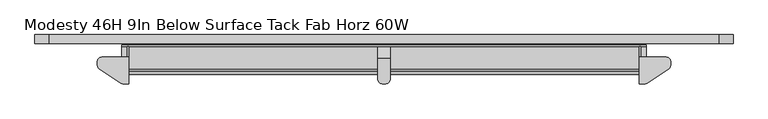
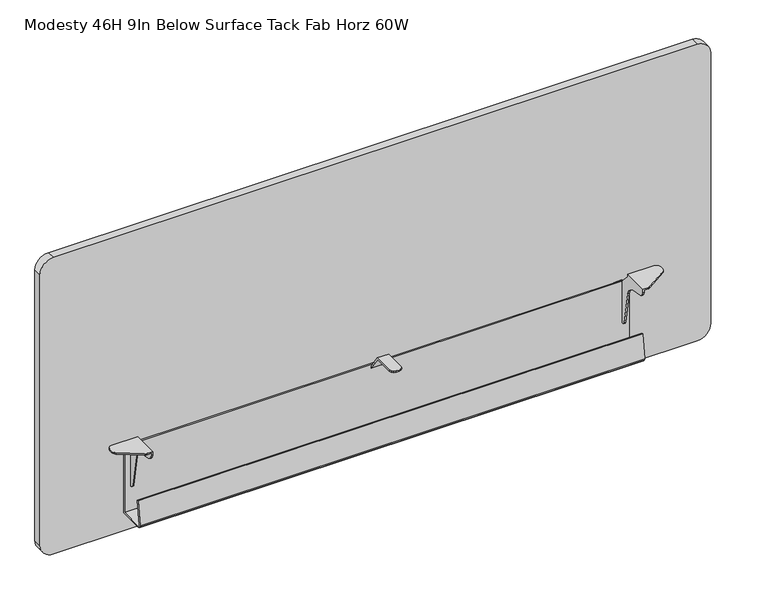
"""IFC4 building model written with IfcOpenShell, lengths in millimetres: furniture geometry, Modesty 46H 9In Below Surface Tack Fab Horz 60W."""

from ifc_helpers import new_model, si_unit, point, frame, frame_2d, origin, place, context, project, spatial, polyline, circle_curve, trimmed, segment, composite_curve, outline, extrude, faceted_brep, source, transform, mapped, element, save


def modesty_46h_9in_below_surface_tack_fab_horz_60w_858d28be(model_context):
    return source(origin(), model_context, "Body", "SolidModel", [
        faceted_brep([(1354.5570723, -28.1940001, 686.8920118), (1297.788081, -28.1940001, 686.8920118), (1297.788081, -84.8360008, 686.8920118), (1308.8913731, -84.8360008, 686.8920118), (1310.7360279, -84.6556703, 686.8920118), (1312.5108288, -84.1215187, 686.8920118), (1314.148574, -83.2537619, 686.8920118), (1359.8142732, -53.0282948, 686.8920118), (1362.0968646, -50.905943, 686.8920118), (1363.5721197, -48.1603598, 686.8920118), (1364.0820723, -45.0855338, 686.8920118), (1364.0820723, -37.7190004, 686.8920118), (1362.8059692, -32.9564998, 686.8920118), (1359.3195723, -29.470108, 686.8920118), (1297.788081, -84.8360008, 679.2605736), (1300.836069, -84.8360008, 679.2605736), (1300.836069, -84.8360008, 683.8440147), (1308.8913731, -84.8360008, 683.8440147), (1300.836069, 0.0, 561.6700404), (1288.0090812, 0.0, 561.6700404), (1283.2465812, 0.0, 562.9461617), (1279.7601843, 0.0, 566.4325404), (1278.4840812, 0.0, 571.1950404), (1278.4840812, 0.0, 647.3950041), (1279.7601843, 0.0, 652.1575041), (1283.2465812, 0.0, 655.6439192), (1288.0090812, 0.0, 656.9200041), (1300.836069, 0.0, 656.9200041), (1300.836069, -28.1940001, 683.8440147), (1354.5570723, -28.1940001, 683.8440147), (1359.3195723, -29.470108, 683.8440147), (1362.8059692, -32.9564998, 683.8440147), (1364.0820723, -37.7190004, 683.8440147), (1364.0820723, -45.0855338, 683.8440147), (1363.5721197, -48.1603598, 683.8440147), (1362.0968646, -50.905943, 683.8440147), (1359.8142732, -53.0282948, 683.8440147), (1314.148574, -83.2537619, 683.8440147), (1312.5108288, -84.1215187, 683.8440147), (1310.7360279, -84.6556703, 683.8440147), (1300.836069, -83.485134, 673.5608488), (1300.836069, -79.719916, 669.0736227), (1300.836069, -74.3413335, 666.7535608), (1300.836069, -48.1471565, 662.1348021), (1300.836069, -38.6002931, 658.342083), (1300.836069, -31.336431, 651.0782095), (1300.836069, -27.5437042, 641.5313358), (1300.836069, -14.3872464, 566.9173582), (1300.836069, -13.2271995, 564.2280965), (1300.836069, -10.9835922, 562.3454716), (1300.836069, -8.1337173, 561.6700404), (1300.836069, -5.0799997, 656.9200041), (1300.836069, -28.1940001, 681.8120167), (1297.788081, -28.1940001, 681.8120167), (1297.788081, -5.0799997, 656.9200041), (1288.0090812, -3.0479994, 656.9200041), (1297.788081, -3.0479994, 656.9200041), (1297.788081, -79.719916, 669.0736227), (1297.788081, -74.3413335, 666.7535608), (1297.788081, -83.485134, 673.5608488), (1297.788081, -8.1337173, 561.6700404), (1297.788081, -3.0479994, 561.6700404), (1288.0090812, -3.0479994, 561.6700404), (1297.788081, -10.9835922, 562.3454716), (1297.788081, -13.2271995, 564.2280965), (1297.788081, -14.3872464, 566.9173582), (1297.788081, -27.5437042, 641.5313358), (1297.788081, -31.336431, 651.0782095), (1297.788081, -38.6002931, 658.342083), (1297.788081, -48.1471565, 662.1348021), (1283.2465812, -3.0479994, 655.6439192), (1279.7601843, -3.0479994, 652.1575041), (1278.4840812, -3.0479994, 647.3950041), (1278.4840812, -3.0479994, 571.1950404), (1279.7601843, -3.0479994, 566.4325404), (1283.2465812, -3.0479994, 562.9461617)], [[[0, 1, 2, 3, 4, 5, 6, 7, 8, 9, 10, 11, 12, 13]], [[3, 2, 14, 15, 16, 17]], [[18, 19, 20, 21, 22, 23, 24, 25, 26, 27]], [[28, 29, 30, 31, 32, 33, 34, 35, 36, 37, 38, 39, 17, 16]], [[16, 15, 40, 41, 42, 43, 44, 45, 46, 47, 48, 49, 50, 18, 27, 51, 52, 28]], [[29, 28, 52, 53, 1, 0]], [[13, 30, 29, 0]], [[12, 31, 30, 13]], [[11, 32, 31, 12]], [[10, 33, 32, 11]], [[9, 34, 33, 10]], [[8, 35, 34, 9]], [[7, 36, 35, 8]], [[6, 37, 36, 7]], [[5, 38, 37, 6]], [[4, 39, 38, 5]], [[3, 17, 39, 4]], [[51, 54, 53, 52]], [[27, 26, 55, 56, 54, 51]], [[41, 57, 58, 42]], [[40, 59, 57, 41]], [[15, 14, 59, 40]], [[50, 60, 61, 62, 19, 18]], [[49, 63, 60, 50]], [[48, 64, 63, 49]], [[47, 65, 64, 48]], [[46, 66, 65, 47]], [[45, 67, 66, 46]], [[44, 68, 67, 45]], [[43, 69, 68, 44]], [[42, 58, 69, 43]], [[61, 60, 63, 64, 65, 66, 67, 68, 69, 58, 57, 59, 14, 2, 1, 53, 54, 56]], [[56, 55, 70, 71, 72, 73, 74, 75, 62, 61]], [[70, 55, 26, 25]], [[25, 24, 71, 70]], [[24, 23, 72, 71]], [[23, 22, 73, 72]], [[22, 21, 74, 73]], [[21, 20, 75, 74]], [[20, 19, 62, 75]]]),
        faceted_brep([(166.4078114, -28.1940001, 686.8920118), (161.6453114, -29.470108, 686.8920118), (158.1589145, -32.9564998, 686.8920118), (156.8828114, -37.7190004, 686.8920118), (156.8828114, -45.0855338, 686.8920118), (157.3927639, -48.1603598, 686.8920118), (158.8680191, -50.905943, 686.8920118), (161.1506105, -53.0282948, 686.8920118), (206.8163097, -83.2537619, 686.8920118), (208.4540549, -84.1215187, 686.8920118), (210.2288557, -84.6556703, 686.8920118), (212.0735106, -84.8360008, 686.8920118), (223.1768027, -84.8360008, 686.8920118), (223.1768027, -28.1940001, 686.8920118), (212.0735106, -84.8360008, 683.8440147), (220.1288147, -84.8360008, 683.8440147), (220.1288147, -84.8360008, 679.2605736), (223.1768027, -84.8360008, 679.2605736), (220.1288147, 0.0, 561.6700404), (220.1288147, 0.0, 656.9200041), (232.9558024, 0.0, 656.9200041), (237.7183024, 0.0, 655.6439192), (241.2046994, 0.0, 652.1575041), (242.4808024, 0.0, 647.3950041), (242.4808024, 0.0, 571.1950404), (241.2046994, 0.0, 566.4325404), (237.7183024, 0.0, 562.9461617), (232.9558024, 0.0, 561.6700404), (220.1288147, -28.1940001, 683.8440147), (210.2288557, -84.6556703, 683.8440147), (208.4540549, -84.1215187, 683.8440147), (206.8163097, -83.2537619, 683.8440147), (161.1506105, -53.0282948, 683.8440147), (158.8680191, -50.905943, 683.8440147), (157.3927639, -48.1603598, 683.8440147), (156.8828114, -45.0855338, 683.8440147), (156.8828114, -37.7190004, 683.8440147), (158.1589145, -32.9564998, 683.8440147), (161.6453114, -29.470108, 683.8440147), (166.4078114, -28.1940001, 683.8440147), (220.1288147, -28.1940001, 681.8120167), (220.1288147, -5.0799997, 656.9200041), (220.1288147, -8.1337173, 561.6700404), (220.1288147, -10.9835922, 562.3454716), (220.1288147, -13.2271995, 564.2280965), (220.1288147, -14.3872464, 566.9173582), (220.1288147, -27.5437042, 641.5313358), (220.1288147, -31.336431, 651.0782095), (220.1288147, -38.6002931, 658.342083), (220.1288147, -48.1471565, 662.1348021), (220.1288147, -74.3413335, 666.7535608), (220.1288147, -79.719916, 669.0736227), (220.1288147, -83.485134, 673.5608488), (223.1768027, -28.1940001, 681.8120167), (223.1768027, -5.0799997, 656.9200041), (223.1768027, -3.0479994, 656.9200041), (232.9558024, -3.0479994, 656.9200041), (223.1768027, -74.3413335, 666.7535608), (223.1768027, -79.719916, 669.0736227), (223.1768027, -83.485134, 673.5608488), (232.9558024, -3.0479994, 561.6700404), (223.1768027, -3.0479994, 561.6700404), (223.1768027, -8.1337173, 561.6700404), (223.1768027, -10.9835922, 562.3454716), (223.1768027, -13.2271995, 564.2280965), (223.1768027, -14.3872464, 566.9173582), (223.1768027, -27.5437042, 641.5313358), (223.1768027, -31.336431, 651.0782095), (223.1768027, -38.6002931, 658.342083), (223.1768027, -48.1471565, 662.1348021), (237.7183024, -3.0479994, 562.9461617), (241.2046994, -3.0479994, 566.4325404), (242.4808024, -3.0479994, 571.1950404), (242.4808024, -3.0479994, 647.3950041), (241.2046994, -3.0479994, 652.1575041), (237.7183024, -3.0479994, 655.6439192)], [[[0, 1, 2, 3, 4, 5, 6, 7, 8, 9, 10, 11, 12, 13]], [[11, 14, 15, 16, 17, 12]], [[18, 19, 20, 21, 22, 23, 24, 25, 26, 27]], [[28, 15, 14, 29, 30, 31, 32, 33, 34, 35, 36, 37, 38, 39]], [[15, 28, 40, 41, 19, 18, 42, 43, 44, 45, 46, 47, 48, 49, 50, 51, 52, 16]], [[39, 0, 13, 53, 40, 28]], [[1, 0, 39, 38]], [[2, 1, 38, 37]], [[3, 2, 37, 36]], [[4, 3, 36, 35]], [[5, 4, 35, 34]], [[6, 5, 34, 33]], [[7, 6, 33, 32]], [[8, 7, 32, 31]], [[9, 8, 31, 30]], [[10, 9, 30, 29]], [[11, 10, 29, 14]], [[41, 40, 53, 54]], [[19, 41, 54, 55, 56, 20]], [[51, 50, 57, 58]], [[52, 51, 58, 59]], [[16, 52, 59, 17]], [[42, 18, 27, 60, 61, 62]], [[43, 42, 62, 63]], [[44, 43, 63, 64]], [[45, 44, 64, 65]], [[46, 45, 65, 66]], [[47, 46, 66, 67]], [[48, 47, 67, 68]], [[49, 48, 68, 69]], [[50, 49, 69, 57]], [[61, 55, 54, 53, 13, 12, 17, 59, 58, 57, 69, 68, 67, 66, 65, 64, 63, 62]], [[55, 61, 60, 70, 71, 72, 73, 74, 75, 56]], [[75, 21, 20, 56]], [[21, 75, 74, 22]], [[22, 74, 73, 23]], [[23, 73, 72, 24]], [[24, 72, 71, 25]], [[25, 71, 70, 26]], [[26, 70, 60, 27]]]),
        faceted_brep([(773.176, -30.7450483, 683.8440147), (773.176, -3.0490599, 644.5244466), (773.176, -3.0490599, 570.2298918), (773.176, 0.0, 570.2298918), (773.176, 0.0, 644.522941), (773.176, -29.6671998, 686.8920118), (773.176, -75.4379103, 686.8920118), (773.176, -75.4379103, 683.8440147), (747.776, -29.6671998, 686.8920118), (747.776, 0.0, 644.522941), (747.776, 0.0, 570.2298014), (747.776, -3.0490599, 570.2298014), (747.776, -3.0490599, 644.5244466), (747.776, -30.7450483, 683.8440147), (747.776, -75.4380007, 683.8440147), (747.776, -75.4380007, 686.8920118), (771.8998909, -80.2005007, 683.8440147), (768.4134758, -83.6868931, 683.8440147), (763.6509758, -84.9630007, 683.8440147), (757.301, -84.9630007, 683.8440147), (752.5385, -83.6868931, 683.8440147), (749.0520849, -80.2005007, 683.8440147), (749.0520849, -3.0490599, 565.4673014), (752.5385, -3.0490599, 561.9809226), (757.301, -3.0490599, 560.7048014), (763.6509758, -3.0490599, 560.7048014), (768.4134758, -3.0490599, 561.9809226), (771.8998909, -3.0490599, 565.4673014), (757.301, 0.0, 560.7048014), (763.6509758, 0.0, 560.7048014), (771.8998909, 0.0, 565.4673014), (768.4134758, 0.0, 561.9809226), (752.5385, 0.0, 561.9809226), (749.0520849, 0.0, 565.4673014), (749.0520849, -80.2005007, 686.8920118), (752.5385, -83.6868931, 686.8920118), (757.301, -84.9630007, 686.8920118), (763.6509758, -84.9630007, 686.8920118), (768.4134758, -83.6868931, 686.8920118), (771.8998909, -80.2005007, 686.8920118)], [[[0, 1, 2, 3, 4, 5, 6, 7]], [[8, 9, 10, 11, 12, 13, 14, 15]], [[13, 0, 7, 16, 17, 18, 19, 20, 21, 14]], [[1, 0, 13, 12]], [[1, 12, 11, 22, 23, 24, 25, 26, 27, 2]], [[25, 24, 28, 29]], [[9, 4, 3, 30, 31, 29, 28, 32, 33, 10]], [[5, 4, 9, 8]], [[5, 8, 15, 34, 35, 36, 37, 38, 39, 6]], [[19, 18, 37, 36]], [[21, 34, 15, 14]], [[35, 20, 19, 36]], [[34, 21, 20, 35]], [[17, 38, 37, 18]], [[39, 16, 7, 6]], [[38, 17, 16, 39]], [[23, 32, 28, 24]], [[32, 23, 22, 33]], [[33, 22, 11, 10]], [[27, 30, 3, 2]], [[30, 27, 26, 31]], [[31, 26, 25, 29]]]),
        extrude(outline(composite_curve([segment(polyline([(1144.0922, 1465.58), (1144.0922, 55.372)]), True, "CONTINUOUS"), segment(trimmed(circle_curve(frame_2d((1114.1202, 55.372)), 29.972), [point((1144.0922, 55.372))], [point((1114.1202, 25.4))], False, "CARTESIAN"), True, "CONTINUOUS"), segment(polyline([(1114.1202, 25.4), (487.2475282, 25.4)]), True, "CONTINUOUS"), segment(trimmed(circle_curve(frame_2d((487.2475282, 55.372)), 29.972), [point((487.2475282, 25.4))], [point((457.2755282, 55.372))], False, "CARTESIAN"), True, "CONTINUOUS"), segment(polyline([(457.2755282, 55.372), (457.2755282, 1465.58)]), True, "CONTINUOUS"), segment(trimmed(circle_curve(frame_2d((487.2475282, 1465.58)), 29.972), [point((457.2755282, 1465.58))], [point((487.2475282, 1495.552))], False, "CARTESIAN"), True, "CONTINUOUS"), segment(polyline([(487.2475282, 1495.552), (1114.1202, 1495.552)]), True, "CONTINUOUS"), segment(trimmed(circle_curve(frame_2d((1114.1202, 1465.58)), 29.972), [point((1114.1202, 1495.552))], [point((1144.0922, 1465.58))], False, "CARTESIAN"), True, "CONTINUOUS")], self_intersect=False)), frame((0.0, 0.0, 0.0), z_axis=(0.0, 1.0, 0.0), x_axis=(0.0, 0.0, 1.0)), (0.0, 0.0, 1.0), 19.05),
        extrude(outline(polyline([(-3.048, 657.6819489), (-3.048, 500.6337951), (-58.2252166, 500.6337951), (-61.6526328, 501.6382032), (-63.9957855, 504.3336782), (-64.5134184, 507.8675105), (-56.9965739, 561.3526543), (-53.8524707, 560.9107844), (-61.3693175, 507.4256407), (-61.1105011, 505.6587427), (-59.9389247, 504.3109689), (-58.2252166, 503.808783), (-6.2210553, 503.808783), (-6.2210553, 657.6819489), (-3.048, 657.6819489)])), frame((207.7525353, 0.0, 0.0), z_axis=(1.0, 0.0, 0.0), x_axis=(0.0, 1.0, 0.0)), (0.0, 0.0, 1.0), 1105.4587777),
    ])


if __name__ == "__main__":
    model = new_model("IFC4")
    model_context = context("Model", 3, world=origin())
    ifc_project = project(units=[si_unit("LENGTHUNIT", "METRE", prefix="MILLI")], contexts=[model_context])
    site = spatial("IfcSite", under=ifc_project)
    building = spatial("IfcBuilding", under=site)
    placement = place(None, origin())
    modesty_46h_9in_below_surface_tack_fab_horz_60w_shape = modesty_46h_9in_below_surface_tack_fab_horz_60w_858d28be(model_context)
    element("IfcFurniture", 1, ObjectType="Modesty 46H 9In Below Surface Tack Fab Horz 60W", at=placement, inside=building, context=model_context, shape_type="MappedRepresentation", body=[
        mapped(modesty_46h_9in_below_surface_tack_fab_horz_60w_shape, transform((0.0, 0.0, 0.0), x_axis=(1.0, 0.0, 0.0), y_axis=(0.0, 1.0, 0.0), z_axis=(0.0, 0.0, 1.0))),
    ])
    save(model, "model.ifc")
